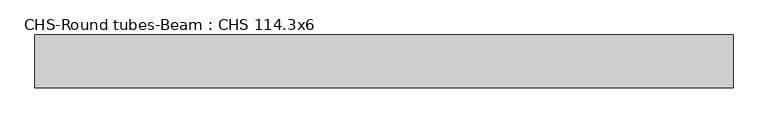
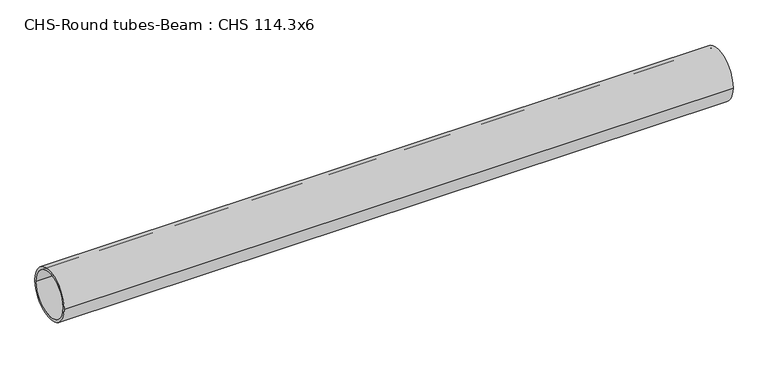
"""IFC4 building model written with IfcOpenShell, lengths in millimetres: beam geometry, CHS-Round tubes-Beam : CHS 114.3x6."""

from ifc_helpers import new_model, si_unit, point, frame, origin, origin_2d, place, context, project, spatial, circle_curve, trimmed, segment, composite_curve, outline, extrude, source, transform, mapped, element, save


def chs_round_tubes_beam_chs_114_3x6_d30ee2c8(model_context):
    return source(origin(), model_context, "Body", "SweptSolid", [
        extrude(outline(composite_curve([segment(trimmed(circle_curve(origin_2d(), 57.15), [point((57.15, 0.0))], [point((-57.15, 0.0))], False, "CARTESIAN"), True, "CONTINUOUS"), segment(trimmed(circle_curve(origin_2d(), 57.15), [point((-57.15, 0.0))], [point((57.15, 0.0))], False, "CARTESIAN"), True, "CONTINUOUS")], self_intersect=False), holes=[composite_curve([segment(trimmed(circle_curve(origin_2d(), 51.15), [point((51.15, 0.0))], [point((-51.15, 0.0))], True, "CARTESIAN"), True, "CONTINUOUS"), segment(trimmed(circle_curve(origin_2d(), 51.15), [point((-51.15, 0.0))], [point((51.15, 0.0))], True, "CARTESIAN"), True, "CONTINUOUS")], self_intersect=False)]), frame((-741.2743665, 0.0, 0.0), z_axis=(1.0, 0.0, 0.0), x_axis=(0.0, 1.0, 0.0)), (0.0, 0.0, 1.0), 1506.468489),
    ])


if __name__ == "__main__":
    model = new_model("IFC4")
    model_context = context("Model", 3, world=origin())
    ifc_project = project(units=[si_unit("LENGTHUNIT", "METRE", prefix="MILLI")], contexts=[model_context])
    site = spatial("IfcSite", under=ifc_project)
    building = spatial("IfcBuilding", under=site)
    placement = place(None, origin())
    chs_round_tubes_beam_chs_114_3x6_shape = chs_round_tubes_beam_chs_114_3x6_d30ee2c8(model_context)
    element("IfcBeam", 1, ObjectType="CHS-Round tubes-Beam : CHS 114.3x6", at=placement, inside=building, context=model_context, shape_type="MappedRepresentation", body=[
        mapped(chs_round_tubes_beam_chs_114_3x6_shape, transform((0.0, 0.0, 0.0), x_axis=(1.0, 0.0, 0.0), y_axis=(0.0, 1.0, 0.0), z_axis=(0.0, 0.0, 1.0))),
    ])
    save(model, "model.ifc")
